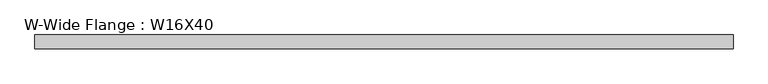
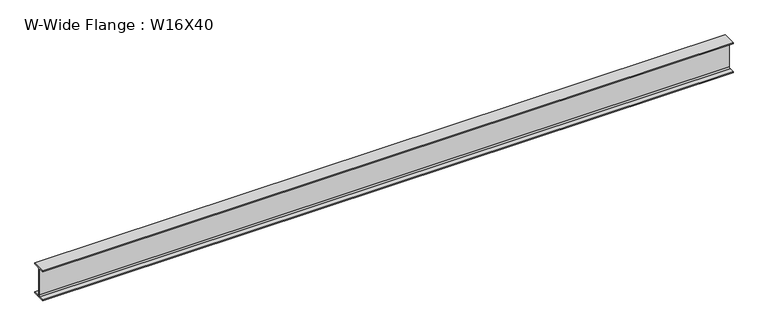
"""IFC4 building model written with IfcOpenShell, lengths in millimetres: beam geometry, W-Wide Flange : W16X40."""

import ifcopenshell
import ifcopenshell.guid

model = None  # the IFC model being written
_history = None  # IfcOwnerHistory: only IFC2X3 demands one
_inside = {}  # id of a spatial element -> (the spatial element, [elements in it])
_under = {}  # id of a project, library or spatial element -> (it, [spatial elements below it])
_declared = {}  # id of a project -> (the project, [libraries it declares])
_typed = {}  # id of a type object -> (the type object, [elements of that type])
_made_of = {}  # id of a material, layer set ... -> (it, [elements and type objects made of it])


def new_model(schema):
    """Start an empty IFC model of exactly this schema.

    Asked for "IFC4X3", IfcOpenShell would pick the latest addendum, in which some entities
    have other attributes; the version numbers below select the first issue.
    IFC2X3 requires an IfcOwnerHistory on every rooted entity: one is made here for all.
    """
    global model, _history
    if schema == "IFC4X3":
        model = ifcopenshell.file(schema_version=(4, 3, 0, 0))
    else:
        model = ifcopenshell.file(schema=schema)
    _inside.clear()
    _under.clear()
    _declared.clear()
    _typed.clear()
    _made_of.clear()
    _history = None
    if model.schema == "IFC2X3":
        org = make("IfcOrganization", Name="unknown")
        user = make(
            "IfcPersonAndOrganization",
            ThePerson=make("IfcPerson", FamilyName="unknown"),
            TheOrganization=org,
        )
        app = make(
            "IfcApplication",
            ApplicationDeveloper=org,
            Version="unknown",
            ApplicationFullName="unknown",
            ApplicationIdentifier="unknown",
        )
        _history = make(
            "IfcOwnerHistory",
            OwningUser=user,
            OwningApplication=app,
            ChangeAction="ADDED",
            CreationDate=0,
        )
    return model


def make(cls, **values):
    """One entity of the class cls with the attributes given. An attribute that is None is left unset."""
    return model.create_entity(
        cls, **{name: value for name, value in values.items() if value is not None}
    )


def rooted(cls, **values):
    """An entity with a GlobalId (a new one), such as an element, a storey or a relation."""
    return make(cls, GlobalId=ifcopenshell.guid.new(), OwnerHistory=_history, **values)


def si_unit(unit_type, name, prefix=None):
    """IfcSIUnit, for example si_unit("LENGTHUNIT", "METRE", prefix="MILLI")."""
    return make("IfcSIUnit", UnitType=unit_type, Prefix=prefix, Name=name)


def assignment(units):
    """IfcUnitAssignment: the units of a project."""
    return None if units is None else make("IfcUnitAssignment", Units=units)


def point(xyz):
    """IfcCartesianPoint."""
    return None if xyz is None else make("IfcCartesianPoint", Coordinates=xyz)


def direction(xyz):
    """IfcDirection."""
    return None if xyz is None else make("IfcDirection", DirectionRatios=xyz)


def frame(location, z_axis=None, x_axis=None):
    """IfcAxis2Placement3D, a coordinate frame: its origin and axes. An axis left out is left unset."""
    return make(
        "IfcAxis2Placement3D",
        Location=point(location),
        Axis=direction(z_axis),
        RefDirection=direction(x_axis),
    )


def frame_2d(location, x_axis=None):
    """IfcAxis2Placement2D, a coordinate frame in the plane: its origin and x axis."""
    return make(
        "IfcAxis2Placement2D", Location=point(location), RefDirection=direction(x_axis)
    )


def origin():
    """The frame at (0, 0, 0) with its axes left unset."""
    return frame((0.0, 0.0, 0.0))


def place(relative_to, where):
    """IfcLocalPlacement: puts the frame where relative to a parent placement (None: the world)."""
    return make(
        "IfcLocalPlacement", PlacementRelTo=relative_to, RelativePlacement=where
    )


def context(
    kind, dimensions, precision=None, world=None, true_north=None, identifier=None
):
    """IfcGeometricRepresentationContext, for example the 3D "Model" context."""
    return make(
        "IfcGeometricRepresentationContext",
        ContextIdentifier=identifier,
        ContextType=kind,
        CoordinateSpaceDimension=dimensions,
        Precision=precision,
        WorldCoordinateSystem=world,
        TrueNorth=true_north,
    )


def project(units=None, contexts=None):
    """IfcProject with its units and contexts."""
    return rooted(
        "IfcProject",
        Name="project",
        RepresentationContexts=contexts,
        UnitsInContext=assignment(units),
    )


def spatial(cls, under=None, at=None, **own):
    """A site, building, storey or space (cls), placed at a placement, below another one or the project."""
    s = rooted(cls, ObjectPlacement=at, **own)
    if under is not None:
        _under.setdefault(under.id(), (under, []))[1].append(s)
    return s


def polyline(points):
    """IfcPolyline through the points."""
    return make("IfcPolyline", Points=[point(p) for p in points])


def circle_curve(where, radius):
    """IfcCircle in the frame where."""
    return make("IfcCircle", Position=where, Radius=radius)


def trimmed(basis, trim1, trim2, sense, master):
    """IfcTrimmedCurve: the piece of a basis curve between two trims."""
    return make(
        "IfcTrimmedCurve",
        BasisCurve=basis,
        Trim1=trim1,
        Trim2=trim2,
        SenseAgreement=sense,
        MasterRepresentation=master,
    )


def segment(curve, same_sense, transition):
    """IfcCompositeCurveSegment."""
    return make(
        "IfcCompositeCurveSegment",
        Transition=transition,
        SameSense=same_sense,
        ParentCurve=curve,
    )


def composite_curve(segments, self_intersect=None):
    """IfcCompositeCurve: segments joined end to end."""
    return make("IfcCompositeCurve", Segments=segments, SelfIntersect=self_intersect)


def outline(outer, holes=None, kind="AREA"):
    """IfcArbitraryClosedProfileDef: a profile drawn as a closed curve; with holes, ...WithVoids."""
    if holes is None:
        return make("IfcArbitraryClosedProfileDef", ProfileType=kind, OuterCurve=outer)
    return make(
        "IfcArbitraryProfileDefWithVoids",
        ProfileType=kind,
        OuterCurve=outer,
        InnerCurves=holes,
    )


def extrude(swept, where, along, depth):
    """IfcExtrudedAreaSolid: the profile swept, set in the frame where, extruded along a direction by depth."""
    return make(
        "IfcExtrudedAreaSolid",
        SweptArea=swept,
        Position=where,
        ExtrudedDirection=direction(along),
        Depth=depth,
    )


def shape(context_of_items, identifier, shape_type, items):
    """IfcShapeRepresentation: the items that make up one representation, for example the "Body"."""
    return make(
        "IfcShapeRepresentation",
        ContextOfItems=context_of_items,
        RepresentationIdentifier=identifier,
        RepresentationType=shape_type,
        Items=items,
    )


def source(mapping_origin, context_of_items, identifier, shape_type, items):
    """IfcRepresentationMap: a shape defined once, which mapped items show again and again."""
    return make(
        "IfcRepresentationMap",
        MappingOrigin=mapping_origin,
        MappedRepresentation=shape(context_of_items, identifier, shape_type, items),
    )


def transform(
    local_origin,
    x_axis=None,
    y_axis=None,
    z_axis=None,
    scale=None,
    scale2=None,
    scale3=None,
    uniform=True,
):
    """IfcCartesianTransformationOperator3D, or its non-uniform kind. x_axis, y_axis, z_axis: its Axis1, 2, 3."""
    if uniform:
        return make(
            "IfcCartesianTransformationOperator3D",
            Axis1=direction(x_axis),
            Axis2=direction(y_axis),
            LocalOrigin=point(local_origin),
            Scale=scale,
            Axis3=direction(z_axis),
        )
    return make(
        "IfcCartesianTransformationOperator3DnonUniform",
        Axis1=direction(x_axis),
        Axis2=direction(y_axis),
        LocalOrigin=point(local_origin),
        Scale=scale,
        Axis3=direction(z_axis),
        Scale2=scale2,
        Scale3=scale3,
    )


def mapped(mapping_source, mapping_target):
    """IfcMappedItem: shows the shape of a source again, moved by a transform."""
    return make(
        "IfcMappedItem", MappingSource=mapping_source, MappingTarget=mapping_target
    )


def made_of(thing, what):
    """Note that an element or type object is made of a material, layer set ...; save() writes the relation."""
    if what is not None:
        _made_of.setdefault(what.id(), (what, []))[1].append(thing)
    return thing


def element(
    cls,
    number,
    at=None,
    inside=None,
    cuts=None,
    type_object=None,
    material=None,
    context=None,
    identifier="Body",
    shape_type=None,
    held_by="IfcProductDefinitionShape",
    body=None,
    shapes=None,
    **own,
):
    """One element of the class cls, such as IfcWall. Its Tag is "e" and its number.

    at: its placement. inside: the storey or other place that contains it. cuts: it is an
    opening in that element (IfcRelVoidsElement). A single representation is given by context,
    identifier, shape_type and body (its items); several are given by shapes. held_by: the class
    of the entity that holds the representations. save() writes the other relations.
    """
    e = rooted(cls, Tag="e%d" % number, ObjectPlacement=at, **own)
    if body is not None:
        shapes = [shape(context, identifier, shape_type, body)]
    if shapes is not None:
        e.Representation = make(held_by, Representations=shapes)
    if inside is not None:
        _inside.setdefault(inside.id(), (inside, []))[1].append(e)
    if cuts is not None:
        rooted(
            "IfcRelVoidsElement", RelatingBuildingElement=cuts, RelatedOpeningElement=e
        )
    if type_object is not None:
        _typed.setdefault(type_object.id(), (type_object, []))[1].append(e)
    return made_of(e, material)


def aggregate(whole, parts):
    """IfcRelAggregates: a whole, such as a stair, and the parts it consists of."""
    return rooted("IfcRelAggregates", RelatingObject=whole, RelatedObjects=parts)


def save(model, path):
    """Write the relations noted so far, then the file.

    IfcRelAggregates (storeys below a building ...), IfcRelContainedInSpatialStructure (elements
    in a storey), IfcRelDefinesByType, IfcRelAssociatesMaterial and IfcRelDeclares: one each for
    every whole, place, type object, material and project.
    """
    for whole, parts in _under.values():
        aggregate(whole, parts)
    for where, things in _inside.values():
        rooted(
            "IfcRelContainedInSpatialStructure",
            RelatedElements=things,
            RelatingStructure=where,
        )
    for kind, things in _typed.values():
        rooted("IfcRelDefinesByType", RelatedObjects=things, RelatingType=kind)
    for what, things in _made_of.values():
        rooted("IfcRelAssociatesMaterial", RelatedObjects=things, RelatingMaterial=what)
    for by, libraries in _declared.values():
        rooted("IfcRelDeclares", RelatingContext=by, RelatedDefinitions=libraries)
    model.write(path)


def w_wide_flange_w16x40_3c547016(model_context):
    return source(origin(), model_context, "Body", "SweptSolid", [
        extrude(outline(composite_curve([segment(polyline([(88.9, -190.4007813), (88.9, -203.2), (-88.9, -203.2), (-88.9, -190.4007813), (-21.2328125, -190.4007813)]), True, "CONTINUOUS"), segment(trimmed(circle_curve(frame_2d((-21.2328125, -173.0375)), 17.3632813), [point((-21.2328125, -190.4007813))], [point((-3.8695313, -173.0375))], True, "CARTESIAN"), True, "CONTINUOUS"), segment(polyline([(-3.8695313, -173.0375), (-3.8695313, 173.0375)]), True, "CONTINUOUS"), segment(trimmed(circle_curve(frame_2d((-21.2328125, 173.0375)), 17.3632812), [point((-3.8695313, 173.0375))], [point((-21.2328125, 190.4007812))], True, "CARTESIAN"), True, "CONTINUOUS"), segment(polyline([(-21.2328125, 190.4007812), (-88.9, 190.4007812), (-88.9, 203.2), (88.9, 203.2), (88.9, 190.4007812), (21.2328125, 190.4007812)]), True, "CONTINUOUS"), segment(trimmed(circle_curve(frame_2d((21.2328125, 173.0375)), 17.3632813), [point((21.2328125, 190.4007812))], [point((3.8695312, 173.0375))], True, "CARTESIAN"), True, "CONTINUOUS"), segment(polyline([(3.8695312, 173.0375), (3.8695312, -173.0375)]), True, "CONTINUOUS"), segment(trimmed(circle_curve(frame_2d((21.2328125, -173.0375)), 17.3632812), [point((3.8695312, -173.0375))], [point((21.2328125, -190.4007813))], True, "CARTESIAN"), True, "CONTINUOUS"), segment(polyline([(21.2328125, -190.4007813), (88.9, -190.4007813)]), True, "CONTINUOUS")], self_intersect=False)), frame((-4429.7699219, 0.0, 0.0), z_axis=(1.0, 0.0, 0.0), x_axis=(0.0, 1.0, 0.0)), (0.0, 0.0, 1.0), 8859.5398438),
    ])


if __name__ == "__main__":
    model = new_model("IFC4")
    model_context = context("Model", 3, world=origin())
    ifc_project = project(units=[si_unit("LENGTHUNIT", "METRE", prefix="MILLI")], contexts=[model_context])
    site = spatial("IfcSite", under=ifc_project)
    building = spatial("IfcBuilding", under=site)
    placement = place(None, origin())
    w_wide_flange_w16x40_shape = w_wide_flange_w16x40_3c547016(model_context)
    element("IfcBeam", 1, ObjectType="W-Wide Flange : W16X40", at=placement, inside=building, context=model_context, shape_type="MappedRepresentation", body=[
        mapped(w_wide_flange_w16x40_shape, transform((0.0, 0.0, 0.0), x_axis=(1.0, 0.0, 0.0), y_axis=(0.0, 1.0, 0.0), z_axis=(0.0, 0.0, 1.0))),
    ])
    save(model, "model.ifc")
